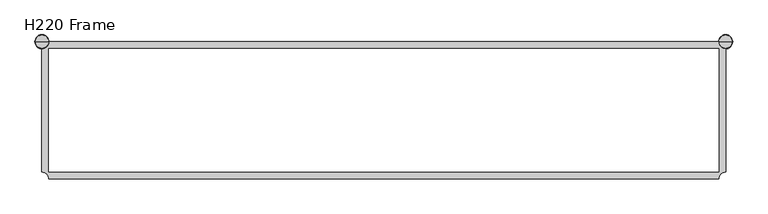
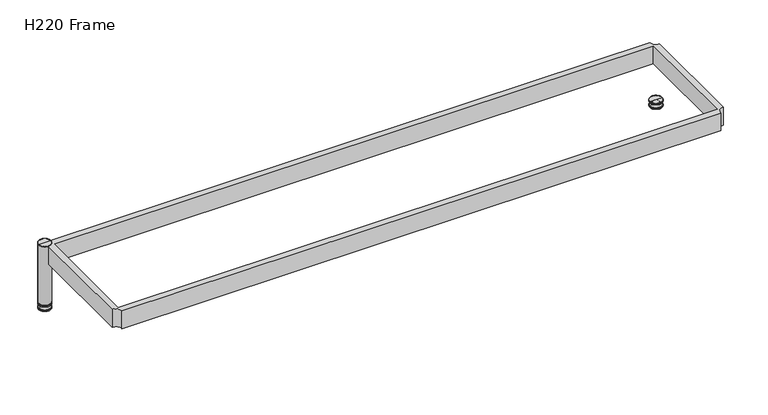
"""IFC4 building model written with IfcOpenShell, lengths in millimetres: furniture geometry, H220 Frame."""

from ifc_helpers import new_model, si_unit, point, frame, frame_2d, origin, place, context, project, spatial, polyline, circle_curve, ellipse_curve, trimmed, segment, composite_curve, outline, extrude, source, transform, mapped, element, save
from ifc_brep_helpers import plane_surface, cylinder_surface, revolved_surface, advanced_brep


def h220_frame_d84d199a(model_context):
    return source(origin(), model_context, "Body", "SolidModel", [
        advanced_brep(
        [(1961.0, -20.0, 0.0), (1999.0, -20.0, 0.0), (1980.0, -20.0, 0.0), (1960.0, -20.0, 1.0), (2000.0, -20.0, 1.0), (1960.0, -20.0, 2.3403271), (2000.0, -20.0, 2.3403271), (1960.9823007, -20.0, 4.0620379), (1999.0176993, -20.0, 4.0620379), (1973.0, -20.0, 15.0), (1987.0, -20.0, 15.0), (1961.0, -20.0, 15.0), (1999.0, -20.0, 15.0), (1960.0, -20.0, 16.0), (2000.0, -20.0, 16.0), (1960.0, -20.0, 19.5), (2000.0, -20.0, 19.5), (1980.0, -20.0, 20.0), (1999.5, -20.0, 20.0), (1960.5, -20.0, 20.0)],
        [
            (0, 1, circle_curve(frame((1980.0, -20.0, 0.0), z_axis=(0.0, 0.0, -1.0), x_axis=(1.0, 0.0, 0.0)), 19.0)),
            (1, 2),
            (2, 0),
            (1, 0, circle_curve(frame((1980.0, -20.0, 0.0), z_axis=(0.0, 0.0, -1.0), x_axis=(1.0, 0.0, 0.0)), 19.0)),
            (3, 4, circle_curve(frame((1980.0, -20.0, 1.0), z_axis=(0.0, 0.0, -1.0), x_axis=(1.0, 0.0, 0.0)), 20.0)),
            (4, 1, circle_curve(frame((1999.0, -20.0, 1.0), z_axis=(0.0, 1.0, 0.0), x_axis=(1.0, 0.0, 0.0)), 1.0)),
            (0, 3, circle_curve(frame((1961.0, -20.0, 1.0), z_axis=(0.0, 1.0, 0.0), x_axis=(-1.0, 0.0, 0.0)), 1.0)),
            (4, 3, circle_curve(frame((1980.0, -20.0, 1.0), z_axis=(0.0, 0.0, -1.0), x_axis=(1.0, 0.0, 0.0)), 20.0)),
            (5, 6, circle_curve(frame((1980.0, -20.0, 2.3403271), z_axis=(0.0, 0.0, -1.0), x_axis=(1.0, 0.0, 0.0)), 20.0)),
            (6, 4),
            (3, 5),
            (6, 5, circle_curve(frame((1980.0, -20.0, 2.3403271), z_axis=(0.0, 0.0, -1.0), x_axis=(1.0, 0.0, 0.0)), 20.0)),
            (7, 8, circle_curve(frame((1980.0, -20.0, 4.0620379), z_axis=(0.0, 0.0, -1.0), x_axis=(1.0, 0.0, 0.0)), 19.0176993)),
            (8, 6, circle_curve(frame((1998.0, -20.0, 2.3403271), z_axis=(0.0, 1.0, 0.0), x_axis=(1.0, 0.0, 0.0)), 2.0)),
            (5, 7, circle_curve(frame((1962.0, -20.0, 2.3403271), z_axis=(0.0, 1.0, 0.0), x_axis=(-1.0, 0.0, 0.0)), 2.0)),
            (8, 7, circle_curve(frame((1980.0, -20.0, 4.0620379), z_axis=(0.0, 0.0, -1.0), x_axis=(1.0, 0.0, 0.0)), 19.0176993)),
            (9, 10, circle_curve(frame((1980.0, -20.0, 15.0), z_axis=(0.0, 0.0, -1.0), x_axis=(1.0, 0.0, 0.0)), 7.0)),
            (10, 8, circle_curve(frame((2019.371686, -20.0, 38.4962538), z_axis=(0.0, -1.0, 0.0), x_axis=(1.0, 0.0, 0.0)), 40.0)),
            (7, 9, circle_curve(frame((1940.628314, -20.0, 38.4962538), z_axis=(0.0, -1.0, 0.0), x_axis=(-1.0, 0.0, 0.0)), 40.0)),
            (10, 9, circle_curve(frame((1980.0, -20.0, 15.0), z_axis=(0.0, 0.0, -1.0), x_axis=(1.0, 0.0, 0.0)), 7.0)),
            (11, 12, circle_curve(frame((1980.0, -20.0, 15.0), z_axis=(0.0, 0.0, -1.0), x_axis=(1.0, 0.0, 0.0)), 19.0)),
            (12, 10),
            (9, 11),
            (12, 11, circle_curve(frame((1980.0, -20.0, 15.0), z_axis=(0.0, 0.0, -1.0), x_axis=(1.0, 0.0, 0.0)), 19.0)),
            (13, 14, circle_curve(frame((1980.0, -20.0, 16.0), z_axis=(0.0, 0.0, -1.0), x_axis=(1.0, 0.0, 0.0)), 20.0)),
            (14, 12, circle_curve(frame((1999.0, -20.0, 16.0), z_axis=(0.0, 1.0, 0.0), x_axis=(1.0, 0.0, 0.0)), 1.0)),
            (11, 13, circle_curve(frame((1961.0, -20.0, 16.0), z_axis=(0.0, 1.0, 0.0), x_axis=(-1.0, 0.0, 0.0)), 1.0)),
            (14, 13, circle_curve(frame((1980.0, -20.0, 16.0), z_axis=(0.0, 0.0, -1.0), x_axis=(1.0, 0.0, 0.0)), 20.0)),
            (15, 16, circle_curve(frame((1980.0, -20.0, 19.5), z_axis=(0.0, 0.0, -1.0), x_axis=(1.0, 0.0, 0.0)), 20.0)),
            (16, 14),
            (13, 15),
            (16, 15, circle_curve(frame((1980.0, -20.0, 19.5), z_axis=(0.0, 0.0, -1.0), x_axis=(1.0, 0.0, 0.0)), 20.0)),
            (17, 18),
            (18, 19, circle_curve(frame((1980.0, -20.0, 20.0), z_axis=(0.0, 0.0, 1.0), x_axis=(1.0, 0.0, 0.0)), 19.5)),
            (19, 17),
            (19, 18, circle_curve(frame((1980.0, -20.0, 20.0), z_axis=(0.0, 0.0, 1.0), x_axis=(1.0, 0.0, 0.0)), 19.5)),
            (18, 16, circle_curve(frame((1999.5, -20.0, 19.5), z_axis=(0.0, 1.0, 0.0), x_axis=(1.0, 0.0, 0.0)), 0.5)),
            (15, 19, circle_curve(frame((1960.5, -20.0, 19.5), z_axis=(0.0, 1.0, 0.0), x_axis=(-1.0, 0.0, 0.0)), 0.5)),
        ],
        [
            plane_surface(frame((1980.0, -20.0, 0.0), z_axis=(0.0, 0.0, -1.0), x_axis=(1.0, 0.0, 0.0))),
            revolved_surface(trimmed(ellipse_curve(frame((1999.0, -20.0, 1.0), z_axis=(0.0, -1.0, 0.0), x_axis=(1.0, 0.0, 0.0)), 1.0, 1.0), [point((1999.0, -20.0, 0.0))], [point((2000.0, -20.0, 1.0))], True, "CARTESIAN"), (1980.0, -20.0, -1.7276483), (0.0, 0.0, 1.0)),
            cylinder_surface(frame((1980.0, -20.0, -1.7276483), z_axis=(0.0, 0.0, 1.0), x_axis=(1.0, 0.0, 0.0)), 20.0),
            revolved_surface(trimmed(ellipse_curve(frame((1998.0, -20.0, 2.3403271), z_axis=(0.0, -1.0, 0.0), x_axis=(1.0, 0.0, 0.0)), 2.0, 2.0), [point((2000.0, -20.0, 2.3403271))], [point((1999.0176993, -20.0, 4.0620379))], True, "CARTESIAN"), (1980.0, -20.0, -1.7276483), (0.0, 0.0, 1.0)),
            revolved_surface(trimmed(ellipse_curve(frame((2019.371686, -20.0, 38.4962538), z_axis=(0.0, 1.0, 0.0), x_axis=(1.0, 0.0, 0.0)), 40.0, 40.0), [point((1999.0176993, -20.0, 4.0620379))], [point((1987.0, -20.0, 15.0))], True, "CARTESIAN"), (1980.0, -20.0, -1.7276483), (0.0, 0.0, 1.0)),
            plane_surface(frame((1980.0, -20.0, 15.0), z_axis=(0.0, 0.0, -1.0), x_axis=(1.0, 0.0, 0.0))),
            revolved_surface(trimmed(ellipse_curve(frame((1999.0, -20.0, 16.0), z_axis=(0.0, -1.0, 0.0), x_axis=(1.0, 0.0, 0.0)), 1.0, 1.0), [point((1999.0, -20.0, 15.0))], [point((2000.0, -20.0, 16.0))], True, "CARTESIAN"), (1980.0, -20.0, -1.7276483), (0.0, 0.0, 1.0)),
            plane_surface(frame((1980.0, -20.0, 20.0), z_axis=(0.0, 0.0, 1.0), x_axis=(1.0, 0.0, 0.0))),
            revolved_surface(trimmed(ellipse_curve(frame((1999.5, -20.0, 19.5), z_axis=(0.0, -1.0, 0.0), x_axis=(1.0, 0.0, 0.0)), 0.5, 0.5), [point((2000.0, -20.0, 19.5))], [point((1999.5, -20.0, 20.0))], True, "CARTESIAN"), (1980.0, -20.0, -1.7276483), (0.0, 0.0, 1.0)),
        ],
        [
            (0, [[1, 2, 3]]),
            (0, [[4, -3, -2]]),
            (1, [[5, 6, -1, 7]]),
            (1, [[8, -7, -4, -6]]),
            (2, [[9, 10, -5, 11]]),
            (2, [[12, -11, -8, -10]]),
            (3, [[13, 14, -9, 15]]),
            (3, [[16, -15, -12, -14]]),
            (4, [[17, 18, -13, 19]]),
            (4, [[20, -19, -16, -18]]),
            (5, [[21, 22, -17, 23]]),
            (5, [[24, -23, -20, -22]]),
            (6, [[25, 26, -21, 27]]),
            (6, [[28, -27, -24, -26]]),
            (2, [[29, 30, -25, 31]]),
            (2, [[32, -31, -28, -30]]),
            (7, [[33, 34, 35]]),
            (7, [[-35, 36, -33]]),
            (8, [[-34, 37, -29, 38]]),
            (8, [[-36, -38, -32, -37]]),
        ],
    ),
        advanced_brep(
        [(20.0, -20.0, 220.0), (39.5, -20.0, 220.0), (0.5, -20.0, 220.0), (0.5, -20.0, 20.0), (39.5, -20.0, 20.0), (20.0, -20.0, 20.0), (0.0, -20.0, 20.5), (40.0, -20.0, 20.5), (0.0, -20.0, 219.5), (40.0, -20.0, 219.5)],
        [
            (0, 1),
            (1, 2, circle_curve(frame((20.0, -20.0, 220.0), z_axis=(0.0, 0.0, 1.0), x_axis=(1.0, 0.0, 0.0)), 19.5)),
            (2, 0),
            (2, 1, circle_curve(frame((20.0, -20.0, 220.0), z_axis=(0.0, 0.0, 1.0), x_axis=(1.0, 0.0, 0.0)), 19.5)),
            (3, 4, circle_curve(frame((20.0, -20.0, 20.0), z_axis=(0.0, 0.0, -1.0), x_axis=(1.0, 0.0, 0.0)), 19.5)),
            (4, 5),
            (5, 3),
            (4, 3, circle_curve(frame((20.0, -20.0, 20.0), z_axis=(0.0, 0.0, -1.0), x_axis=(1.0, 0.0, 0.0)), 19.5)),
            (6, 7, circle_curve(frame((20.0, -20.0, 20.5), z_axis=(0.0, 0.0, -1.0), x_axis=(1.0, 0.0, 0.0)), 20.0)),
            (7, 4, circle_curve(frame((39.5, -20.0, 20.5), z_axis=(0.0, 1.0, 0.0), x_axis=(1.0, 0.0, 0.0)), 0.5)),
            (3, 6, circle_curve(frame((0.5, -20.0, 20.5), z_axis=(0.0, 1.0, 0.0), x_axis=(-1.0, 0.0, 0.0)), 0.5)),
            (7, 6, circle_curve(frame((20.0, -20.0, 20.5), z_axis=(0.0, 0.0, -1.0), x_axis=(1.0, 0.0, 0.0)), 20.0)),
            (8, 9, circle_curve(frame((20.0, -20.0, 219.5), z_axis=(0.0, 0.0, -1.0), x_axis=(1.0, 0.0, 0.0)), 20.0)),
            (9, 7),
            (6, 8),
            (9, 8, circle_curve(frame((20.0, -20.0, 219.5), z_axis=(0.0, 0.0, -1.0), x_axis=(1.0, 0.0, 0.0)), 20.0)),
            (1, 9, circle_curve(frame((39.5, -20.0, 219.5), z_axis=(0.0, 1.0, 0.0), x_axis=(1.0, 0.0, 0.0)), 0.5)),
            (8, 2, circle_curve(frame((0.5, -20.0, 219.5), z_axis=(0.0, 1.0, 0.0), x_axis=(-1.0, 0.0, 0.0)), 0.5)),
        ],
        [
            plane_surface(frame((20.0, -20.0, 220.0), z_axis=(0.0, 0.0, 1.0), x_axis=(1.0, 0.0, 0.0))),
            plane_surface(frame((20.0, -20.0, 20.0), z_axis=(0.0, 0.0, -1.0), x_axis=(1.0, 0.0, 0.0))),
            revolved_surface(trimmed(ellipse_curve(frame((39.5, -20.0, 20.5), z_axis=(0.0, -1.0, 0.0), x_axis=(1.0, 0.0, 0.0)), 0.5, 0.5), [point((39.5, -20.0, 20.0))], [point((40.0, -20.0, 20.5))], True, "CARTESIAN"), (20.0, -20.0, 0.0), (0.0, 0.0, 1.0)),
            cylinder_surface(frame((20.0, -20.0, 0.0), z_axis=(0.0, 0.0, 1.0), x_axis=(1.0, 0.0, 0.0)), 20.0),
            revolved_surface(trimmed(ellipse_curve(frame((39.5, -20.0, 219.5), z_axis=(0.0, -1.0, 0.0), x_axis=(1.0, 0.0, 0.0)), 0.5, 0.5), [point((40.0, -20.0, 219.5))], [point((39.5, -20.0, 220.0))], True, "CARTESIAN"), (20.0, -20.0, 0.0), (0.0, 0.0, 1.0)),
        ],
        [
            (0, [[1, 2, 3]]),
            (0, [[-3, 4, -1]]),
            (1, [[5, 6, 7]]),
            (1, [[8, -7, -6]]),
            (2, [[9, 10, -5, 11]]),
            (2, [[12, -11, -8, -10]]),
            (3, [[13, 14, -9, 15]]),
            (3, [[16, -15, -12, -14]]),
            (4, [[-2, 17, -13, 18]]),
            (4, [[-4, -18, -16, -17]]),
        ],
    ),
        advanced_brep(
        [(1.0, -20.0, 0.0), (39.0, -20.0, 0.0), (20.0, -20.0, 0.0), (0.0, -20.0, 1.0), (40.0, -20.0, 1.0), (0.0, -20.0, 2.3403271), (40.0, -20.0, 2.3403271), (0.9823007, -20.0, 4.0620379), (39.0176993, -20.0, 4.0620379), (13.0, -20.0, 15.0), (27.0, -20.0, 15.0), (1.0, -20.0, 15.0), (39.0, -20.0, 15.0), (0.0, -20.0, 16.0), (40.0, -20.0, 16.0), (0.0, -20.0, 19.5), (40.0, -20.0, 19.5), (20.0, -20.0, 20.0), (39.5, -20.0, 20.0), (0.5, -20.0, 20.0)],
        [
            (0, 1, circle_curve(frame((20.0, -20.0, 0.0), z_axis=(0.0, 0.0, -1.0), x_axis=(1.0, 0.0, 0.0)), 19.0)),
            (1, 2),
            (2, 0),
            (1, 0, circle_curve(frame((20.0, -20.0, 0.0), z_axis=(0.0, 0.0, -1.0), x_axis=(1.0, 0.0, 0.0)), 19.0)),
            (3, 4, circle_curve(frame((20.0, -20.0, 1.0), z_axis=(0.0, 0.0, -1.0), x_axis=(1.0, 0.0, 0.0)), 20.0)),
            (4, 1, circle_curve(frame((39.0, -20.0, 1.0), z_axis=(0.0, 1.0, 0.0), x_axis=(1.0, 0.0, 0.0)), 1.0)),
            (0, 3, circle_curve(frame((1.0, -20.0, 1.0), z_axis=(0.0, 1.0, 0.0), x_axis=(-1.0, 0.0, 0.0)), 1.0)),
            (4, 3, circle_curve(frame((20.0, -20.0, 1.0), z_axis=(0.0, 0.0, -1.0), x_axis=(1.0, 0.0, 0.0)), 20.0)),
            (5, 6, circle_curve(frame((20.0, -20.0, 2.3403271), z_axis=(0.0, 0.0, -1.0), x_axis=(1.0, 0.0, 0.0)), 20.0)),
            (6, 4),
            (3, 5),
            (6, 5, circle_curve(frame((20.0, -20.0, 2.3403271), z_axis=(0.0, 0.0, -1.0), x_axis=(1.0, 0.0, 0.0)), 20.0)),
            (7, 8, circle_curve(frame((20.0, -20.0, 4.0620379), z_axis=(0.0, 0.0, -1.0), x_axis=(1.0, 0.0, 0.0)), 19.0176993)),
            (8, 6, circle_curve(frame((38.0, -20.0, 2.3403271), z_axis=(0.0, 1.0, 0.0), x_axis=(1.0, 0.0, 0.0)), 2.0)),
            (5, 7, circle_curve(frame((2.0, -20.0, 2.3403271), z_axis=(0.0, 1.0, 0.0), x_axis=(-1.0, 0.0, 0.0)), 2.0)),
            (8, 7, circle_curve(frame((20.0, -20.0, 4.0620379), z_axis=(0.0, 0.0, -1.0), x_axis=(1.0, 0.0, 0.0)), 19.0176993)),
            (9, 10, circle_curve(frame((20.0, -20.0, 15.0), z_axis=(0.0, 0.0, -1.0), x_axis=(1.0, 0.0, 0.0)), 7.0)),
            (10, 8, circle_curve(frame((59.371686, -20.0, 38.4962538), z_axis=(0.0, -1.0, 0.0), x_axis=(1.0, 0.0, 0.0)), 40.0)),
            (7, 9, circle_curve(frame((-19.371686, -20.0, 38.4962538), z_axis=(0.0, -1.0, 0.0), x_axis=(-1.0, 0.0, 0.0)), 40.0)),
            (10, 9, circle_curve(frame((20.0, -20.0, 15.0), z_axis=(0.0, 0.0, -1.0), x_axis=(1.0, 0.0, 0.0)), 7.0)),
            (11, 12, circle_curve(frame((20.0, -20.0, 15.0), z_axis=(0.0, 0.0, -1.0), x_axis=(1.0, 0.0, 0.0)), 19.0)),
            (12, 10),
            (9, 11),
            (12, 11, circle_curve(frame((20.0, -20.0, 15.0), z_axis=(0.0, 0.0, -1.0), x_axis=(1.0, 0.0, 0.0)), 19.0)),
            (13, 14, circle_curve(frame((20.0, -20.0, 16.0), z_axis=(0.0, 0.0, -1.0), x_axis=(1.0, 0.0, 0.0)), 20.0)),
            (14, 12, circle_curve(frame((39.0, -20.0, 16.0), z_axis=(0.0, 1.0, 0.0), x_axis=(1.0, 0.0, 0.0)), 1.0)),
            (11, 13, circle_curve(frame((1.0, -20.0, 16.0), z_axis=(0.0, 1.0, 0.0), x_axis=(-1.0, 0.0, 0.0)), 1.0)),
            (14, 13, circle_curve(frame((20.0, -20.0, 16.0), z_axis=(0.0, 0.0, -1.0), x_axis=(1.0, 0.0, 0.0)), 20.0)),
            (15, 16, circle_curve(frame((20.0, -20.0, 19.5), z_axis=(0.0, 0.0, -1.0), x_axis=(1.0, 0.0, 0.0)), 20.0)),
            (16, 14),
            (13, 15),
            (16, 15, circle_curve(frame((20.0, -20.0, 19.5), z_axis=(0.0, 0.0, -1.0), x_axis=(1.0, 0.0, 0.0)), 20.0)),
            (17, 18),
            (18, 19, circle_curve(frame((20.0, -20.0, 20.0), z_axis=(0.0, 0.0, 1.0), x_axis=(1.0, 0.0, 0.0)), 19.5)),
            (19, 17),
            (19, 18, circle_curve(frame((20.0, -20.0, 20.0), z_axis=(0.0, 0.0, 1.0), x_axis=(1.0, 0.0, 0.0)), 19.5)),
            (18, 16, circle_curve(frame((39.5, -20.0, 19.5), z_axis=(0.0, 1.0, 0.0), x_axis=(1.0, 0.0, 0.0)), 0.5)),
            (15, 19, circle_curve(frame((0.5, -20.0, 19.5), z_axis=(0.0, 1.0, 0.0), x_axis=(-1.0, 0.0, 0.0)), 0.5)),
        ],
        [
            plane_surface(frame((20.0, -20.0, 0.0), z_axis=(0.0, 0.0, -1.0), x_axis=(1.0, 0.0, 0.0))),
            revolved_surface(trimmed(ellipse_curve(frame((39.0, -20.0, 1.0), z_axis=(0.0, -1.0, 0.0), x_axis=(1.0, 0.0, 0.0)), 1.0, 1.0), [point((39.0, -20.0, 0.0))], [point((40.0, -20.0, 1.0))], True, "CARTESIAN"), (20.0, -20.0, -1.7276483), (0.0, 0.0, 1.0)),
            cylinder_surface(frame((20.0, -20.0, -1.7276483), z_axis=(0.0, 0.0, 1.0), x_axis=(1.0, 0.0, 0.0)), 20.0),
            revolved_surface(trimmed(ellipse_curve(frame((38.0, -20.0, 2.3403271), z_axis=(0.0, -1.0, 0.0), x_axis=(1.0, 0.0, 0.0)), 2.0, 2.0), [point((40.0, -20.0, 2.3403271))], [point((39.0176993, -20.0, 4.0620379))], True, "CARTESIAN"), (20.0, -20.0, -1.7276483), (0.0, 0.0, 1.0)),
            revolved_surface(trimmed(ellipse_curve(frame((59.371686, -20.0, 38.4962538), z_axis=(0.0, 1.0, 0.0), x_axis=(1.0, 0.0, 0.0)), 40.0, 40.0), [point((39.0176993, -20.0, 4.0620379))], [point((27.0, -20.0, 15.0))], True, "CARTESIAN"), (20.0, -20.0, -1.7276483), (0.0, 0.0, 1.0)),
            plane_surface(frame((20.0, -20.0, 15.0), z_axis=(0.0, 0.0, -1.0), x_axis=(1.0, 0.0, 0.0))),
            revolved_surface(trimmed(ellipse_curve(frame((39.0, -20.0, 16.0), z_axis=(0.0, -1.0, 0.0), x_axis=(1.0, 0.0, 0.0)), 1.0, 1.0), [point((39.0, -20.0, 15.0))], [point((40.0, -20.0, 16.0))], True, "CARTESIAN"), (20.0, -20.0, -1.7276483), (0.0, 0.0, 1.0)),
            plane_surface(frame((20.0, -20.0, 20.0), z_axis=(0.0, 0.0, 1.0), x_axis=(1.0, 0.0, 0.0))),
            revolved_surface(trimmed(ellipse_curve(frame((39.5, -20.0, 19.5), z_axis=(0.0, -1.0, 0.0), x_axis=(1.0, 0.0, 0.0)), 0.5, 0.5), [point((40.0, -20.0, 19.5))], [point((39.5, -20.0, 20.0))], True, "CARTESIAN"), (20.0, -20.0, -1.7276483), (0.0, 0.0, 1.0)),
        ],
        [
            (0, [[1, 2, 3]]),
            (0, [[4, -3, -2]]),
            (1, [[5, 6, -1, 7]]),
            (1, [[8, -7, -4, -6]]),
            (2, [[9, 10, -5, 11]]),
            (2, [[12, -11, -8, -10]]),
            (3, [[13, 14, -9, 15]]),
            (3, [[16, -15, -12, -14]]),
            (4, [[17, 18, -13, 19]]),
            (4, [[20, -19, -16, -18]]),
            (5, [[21, 22, -17, 23]]),
            (5, [[24, -23, -20, -22]]),
            (6, [[25, 26, -21, 27]]),
            (6, [[28, -27, -24, -26]]),
            (2, [[29, 30, -25, 31]]),
            (2, [[32, -31, -28, -30]]),
            (7, [[33, 34, 35]]),
            (7, [[-35, 36, -33]]),
            (8, [[-34, 37, -29, 38]]),
            (8, [[-36, -38, -32, -37]]),
        ],
    ),
        extrude(outline(composite_curve([segment(polyline([(40.0, -20.0), (1960.0, -20.0)]), True, "CONTINUOUS"), segment(trimmed(circle_curve(frame_2d((1980.0, -20.0)), 20.0), [point((1960.0, -20.0))], [point((1980.0, -40.0))], True, "CARTESIAN"), True, "CONTINUOUS"), segment(polyline([(1980.0, -40.0), (1980.0, -394.0)]), True, "CONTINUOUS"), segment(trimmed(circle_curve(frame_2d((1980.0, -414.0)), 20.0), [point((1980.0, -394.0))], [point((1960.0, -414.0))], True, "CARTESIAN"), True, "CONTINUOUS"), segment(polyline([(1960.0, -414.0), (40.0, -414.0)]), True, "CONTINUOUS"), segment(trimmed(circle_curve(frame_2d((20.0, -414.0)), 20.0), [point((40.0, -414.0))], [point((20.0, -394.0))], True, "CARTESIAN"), True, "CONTINUOUS"), segment(polyline([(20.0, -394.0), (20.0, -40.0)]), True, "CONTINUOUS"), segment(trimmed(circle_curve(frame_2d((20.0, -20.0)), 20.0), [point((20.0, -40.0))], [point((40.0, -20.0))], True, "CARTESIAN"), True, "CONTINUOUS")], self_intersect=False), holes=[polyline([(1960.0, -40.0), (40.0, -40.0), (40.0, -394.0), (1960.0, -394.0), (1960.0, -40.0)])]), frame((0.0, 0.0, 160.0), z_axis=(0.0, 0.0, 1.0), x_axis=(1.0, 0.0, 0.0)), (0.0, 0.0, 1.0), 60.0),
    ])


if __name__ == "__main__":
    model = new_model("IFC4")
    model_context = context("Model", 3, world=origin())
    ifc_project = project(units=[si_unit("LENGTHUNIT", "METRE", prefix="MILLI")], contexts=[model_context])
    site = spatial("IfcSite", under=ifc_project)
    building = spatial("IfcBuilding", under=site)
    placement = place(None, origin())
    h220_frame_shape = h220_frame_d84d199a(model_context)
    element("IfcFurniture", 1, ObjectType="H220 Frame", at=placement, inside=building, context=model_context, shape_type="MappedRepresentation", body=[
        mapped(h220_frame_shape, transform((0.0, 0.0, 0.0), x_axis=(1.0, 0.0, 0.0), y_axis=(0.0, 1.0, 0.0), z_axis=(0.0, 0.0, 1.0))),
    ])
    save(model, "model.ifc")
